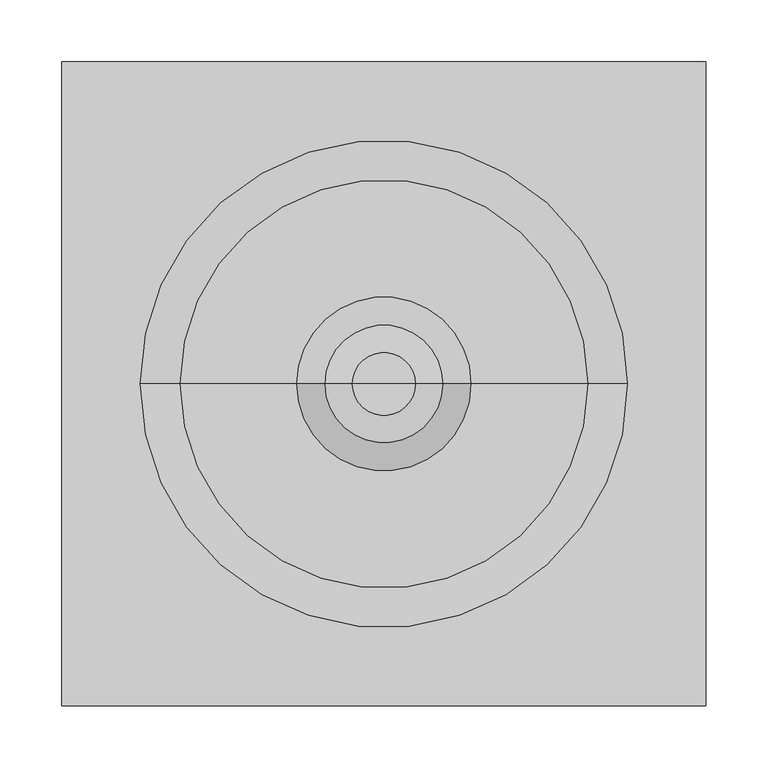
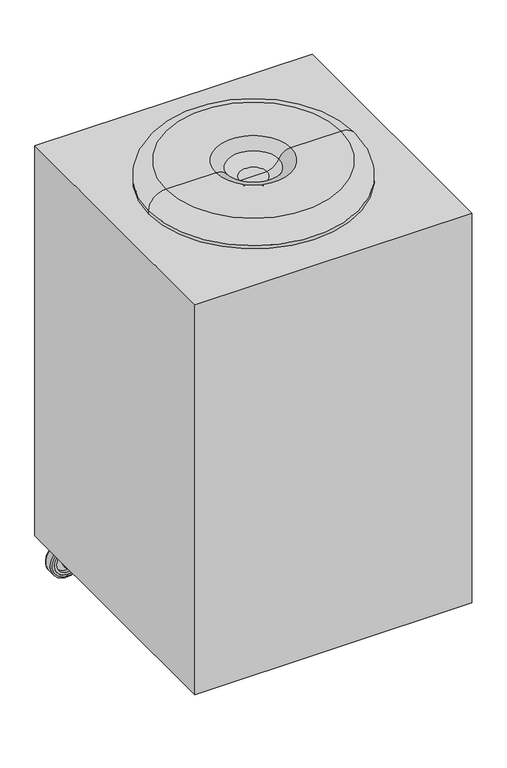
"""IFC4 building model written with IfcOpenShell, lengths in millimetres: proxy geometry."""

import ifcopenshell
import ifcopenshell.guid

model = None  # the IFC model being written
_history = None  # IfcOwnerHistory: only IFC2X3 demands one
_inside = {}  # id of a spatial element -> (the spatial element, [elements in it])
_under = {}  # id of a project, library or spatial element -> (it, [spatial elements below it])
_declared = {}  # id of a project -> (the project, [libraries it declares])
_typed = {}  # id of a type object -> (the type object, [elements of that type])
_made_of = {}  # id of a material, layer set ... -> (it, [elements and type objects made of it])


def new_model(schema):
    """Start an empty IFC model of exactly this schema.

    Asked for "IFC4X3", IfcOpenShell would pick the latest addendum, in which some entities
    have other attributes; the version numbers below select the first issue.
    IFC2X3 requires an IfcOwnerHistory on every rooted entity: one is made here for all.
    """
    global model, _history
    if schema == "IFC4X3":
        model = ifcopenshell.file(schema_version=(4, 3, 0, 0))
    else:
        model = ifcopenshell.file(schema=schema)
    _inside.clear()
    _under.clear()
    _declared.clear()
    _typed.clear()
    _made_of.clear()
    _history = None
    if model.schema == "IFC2X3":
        org = make("IfcOrganization", Name="unknown")
        user = make(
            "IfcPersonAndOrganization",
            ThePerson=make("IfcPerson", FamilyName="unknown"),
            TheOrganization=org,
        )
        app = make(
            "IfcApplication",
            ApplicationDeveloper=org,
            Version="unknown",
            ApplicationFullName="unknown",
            ApplicationIdentifier="unknown",
        )
        _history = make(
            "IfcOwnerHistory",
            OwningUser=user,
            OwningApplication=app,
            ChangeAction="ADDED",
            CreationDate=0,
        )
    return model


def make(cls, **values):
    """One entity of the class cls with the attributes given. An attribute that is None is left unset."""
    return model.create_entity(
        cls, **{name: value for name, value in values.items() if value is not None}
    )


def rooted(cls, **values):
    """An entity with a GlobalId (a new one), such as an element, a storey or a relation."""
    return make(cls, GlobalId=ifcopenshell.guid.new(), OwnerHistory=_history, **values)


def si_unit(unit_type, name, prefix=None):
    """IfcSIUnit, for example si_unit("LENGTHUNIT", "METRE", prefix="MILLI")."""
    return make("IfcSIUnit", UnitType=unit_type, Prefix=prefix, Name=name)


def assignment(units):
    """IfcUnitAssignment: the units of a project."""
    return None if units is None else make("IfcUnitAssignment", Units=units)


def point(xyz):
    """IfcCartesianPoint."""
    return None if xyz is None else make("IfcCartesianPoint", Coordinates=xyz)


def direction(xyz):
    """IfcDirection."""
    return None if xyz is None else make("IfcDirection", DirectionRatios=xyz)


def frame(location, z_axis=None, x_axis=None):
    """IfcAxis2Placement3D, a coordinate frame: its origin and axes. An axis left out is left unset."""
    return make(
        "IfcAxis2Placement3D",
        Location=point(location),
        Axis=direction(z_axis),
        RefDirection=direction(x_axis),
    )


def frame_2d(location, x_axis=None):
    """IfcAxis2Placement2D, a coordinate frame in the plane: its origin and x axis."""
    return make(
        "IfcAxis2Placement2D", Location=point(location), RefDirection=direction(x_axis)
    )


def origin():
    """The frame at (0, 0, 0) with its axes left unset."""
    return frame((0.0, 0.0, 0.0))


def place(relative_to, where):
    """IfcLocalPlacement: puts the frame where relative to a parent placement (None: the world)."""
    return make(
        "IfcLocalPlacement", PlacementRelTo=relative_to, RelativePlacement=where
    )


def context(
    kind, dimensions, precision=None, world=None, true_north=None, identifier=None
):
    """IfcGeometricRepresentationContext, for example the 3D "Model" context."""
    return make(
        "IfcGeometricRepresentationContext",
        ContextIdentifier=identifier,
        ContextType=kind,
        CoordinateSpaceDimension=dimensions,
        Precision=precision,
        WorldCoordinateSystem=world,
        TrueNorth=true_north,
    )


def project(units=None, contexts=None):
    """IfcProject with its units and contexts."""
    return rooted(
        "IfcProject",
        Name="project",
        RepresentationContexts=contexts,
        UnitsInContext=assignment(units),
    )


def spatial(cls, under=None, at=None, **own):
    """A site, building, storey or space (cls), placed at a placement, below another one or the project."""
    s = rooted(cls, ObjectPlacement=at, **own)
    if under is not None:
        _under.setdefault(under.id(), (under, []))[1].append(s)
    return s


def polyline(points):
    """IfcPolyline through the points."""
    return make("IfcPolyline", Points=[point(p) for p in points])


def circle_curve(where, radius):
    """IfcCircle in the frame where."""
    return make("IfcCircle", Position=where, Radius=radius)


def ellipse_curve(where, semi_axis1, semi_axis2):
    """IfcEllipse in the frame where."""
    return make(
        "IfcEllipse", Position=where, SemiAxis1=semi_axis1, SemiAxis2=semi_axis2
    )


def trimmed(basis, trim1, trim2, sense, master):
    """IfcTrimmedCurve: the piece of a basis curve between two trims."""
    return make(
        "IfcTrimmedCurve",
        BasisCurve=basis,
        Trim1=trim1,
        Trim2=trim2,
        SenseAgreement=sense,
        MasterRepresentation=master,
    )


def segment(curve, same_sense, transition):
    """IfcCompositeCurveSegment."""
    return make(
        "IfcCompositeCurveSegment",
        Transition=transition,
        SameSense=same_sense,
        ParentCurve=curve,
    )


def composite_curve(segments, self_intersect=None):
    """IfcCompositeCurve: segments joined end to end."""
    return make("IfcCompositeCurve", Segments=segments, SelfIntersect=self_intersect)


def outline(outer, holes=None, kind="AREA"):
    """IfcArbitraryClosedProfileDef: a profile drawn as a closed curve; with holes, ...WithVoids."""
    if holes is None:
        return make("IfcArbitraryClosedProfileDef", ProfileType=kind, OuterCurve=outer)
    return make(
        "IfcArbitraryProfileDefWithVoids",
        ProfileType=kind,
        OuterCurve=outer,
        InnerCurves=holes,
    )


def extrude(swept, where, along, depth):
    """IfcExtrudedAreaSolid: the profile swept, set in the frame where, extruded along a direction by depth."""
    return make(
        "IfcExtrudedAreaSolid",
        SweptArea=swept,
        Position=where,
        ExtrudedDirection=direction(along),
        Depth=depth,
    )


def shape(context_of_items, identifier, shape_type, items):
    """IfcShapeRepresentation: the items that make up one representation, for example the "Body"."""
    return make(
        "IfcShapeRepresentation",
        ContextOfItems=context_of_items,
        RepresentationIdentifier=identifier,
        RepresentationType=shape_type,
        Items=items,
    )


def source(mapping_origin, context_of_items, identifier, shape_type, items):
    """IfcRepresentationMap: a shape defined once, which mapped items show again and again."""
    return make(
        "IfcRepresentationMap",
        MappingOrigin=mapping_origin,
        MappedRepresentation=shape(context_of_items, identifier, shape_type, items),
    )


def transform(
    local_origin,
    x_axis=None,
    y_axis=None,
    z_axis=None,
    scale=None,
    scale2=None,
    scale3=None,
    uniform=True,
):
    """IfcCartesianTransformationOperator3D, or its non-uniform kind. x_axis, y_axis, z_axis: its Axis1, 2, 3."""
    if uniform:
        return make(
            "IfcCartesianTransformationOperator3D",
            Axis1=direction(x_axis),
            Axis2=direction(y_axis),
            LocalOrigin=point(local_origin),
            Scale=scale,
            Axis3=direction(z_axis),
        )
    return make(
        "IfcCartesianTransformationOperator3DnonUniform",
        Axis1=direction(x_axis),
        Axis2=direction(y_axis),
        LocalOrigin=point(local_origin),
        Scale=scale,
        Axis3=direction(z_axis),
        Scale2=scale2,
        Scale3=scale3,
    )


def mapped(mapping_source, mapping_target):
    """IfcMappedItem: shows the shape of a source again, moved by a transform."""
    return make(
        "IfcMappedItem", MappingSource=mapping_source, MappingTarget=mapping_target
    )


def made_of(thing, what):
    """Note that an element or type object is made of a material, layer set ...; save() writes the relation."""
    if what is not None:
        _made_of.setdefault(what.id(), (what, []))[1].append(thing)
    return thing


def element(
    cls,
    number,
    at=None,
    inside=None,
    cuts=None,
    type_object=None,
    material=None,
    context=None,
    identifier="Body",
    shape_type=None,
    held_by="IfcProductDefinitionShape",
    body=None,
    shapes=None,
    **own,
):
    """One element of the class cls, such as IfcWall. Its Tag is "e" and its number.

    at: its placement. inside: the storey or other place that contains it. cuts: it is an
    opening in that element (IfcRelVoidsElement). A single representation is given by context,
    identifier, shape_type and body (its items); several are given by shapes. held_by: the class
    of the entity that holds the representations. save() writes the other relations.
    """
    e = rooted(cls, Tag="e%d" % number, ObjectPlacement=at, **own)
    if body is not None:
        shapes = [shape(context, identifier, shape_type, body)]
    if shapes is not None:
        e.Representation = make(held_by, Representations=shapes)
    if inside is not None:
        _inside.setdefault(inside.id(), (inside, []))[1].append(e)
    if cuts is not None:
        rooted(
            "IfcRelVoidsElement", RelatingBuildingElement=cuts, RelatedOpeningElement=e
        )
    if type_object is not None:
        _typed.setdefault(type_object.id(), (type_object, []))[1].append(e)
    return made_of(e, material)


def aggregate(whole, parts):
    """IfcRelAggregates: a whole, such as a stair, and the parts it consists of."""
    return rooted("IfcRelAggregates", RelatingObject=whole, RelatedObjects=parts)


def save(model, path):
    """Write the relations noted so far, then the file.

    IfcRelAggregates (storeys below a building ...), IfcRelContainedInSpatialStructure (elements
    in a storey), IfcRelDefinesByType, IfcRelAssociatesMaterial and IfcRelDeclares: one each for
    every whole, place, type object, material and project.
    """
    for whole, parts in _under.values():
        aggregate(whole, parts)
    for where, things in _inside.values():
        rooted(
            "IfcRelContainedInSpatialStructure",
            RelatedElements=things,
            RelatingStructure=where,
        )
    for kind, things in _typed.values():
        rooted("IfcRelDefinesByType", RelatedObjects=things, RelatingType=kind)
    for what, things in _made_of.values():
        rooted("IfcRelAssociatesMaterial", RelatedObjects=things, RelatingMaterial=what)
    for by, libraries in _declared.values():
        rooted("IfcRelDeclares", RelatingContext=by, RelatedDefinitions=libraries)
    model.write(path)


def plane_surface(at):
    """IfcPlane: the flat surface through the origin of the frame at, square to its z axis."""
    return make("IfcPlane", Position=at)


def cylinder_surface(at, radius):
    """IfcCylindricalSurface: all points at the distance radius from the z axis of the frame at."""
    return make("IfcCylindricalSurface", Position=at, Radius=radius)


def revolved_surface(curve, axis_point, axis_direction):
    """IfcSurfaceOfRevolution: the curve turned about the line through axis_point along axis_direction."""
    return make(
        "IfcSurfaceOfRevolution",
        SweptCurve=make("IfcArbitraryOpenProfileDef", ProfileType="CURVE", Curve=curve),
        AxisPosition=make("IfcAxis1Placement", Location=point(axis_point), Axis=direction(axis_direction)),
    )


def advanced_brep(points, edges, surfaces, faces):
    """IfcAdvancedBrep: a solid bounded by faces that lie on surfaces and meet in shared edges.

    An edge is (start, end): straight between two places in points (the first is 0);
    or (start, end, curve); or (start, end, curve, False) where it runs against its curve.
    A face is (place in surfaces, loops), or (place, loops, False) where it looks against
    its surface's normal. A loop lists edges by number (the first is 1), with a minus sign
    where the edge is run from its end to its start. The first loop is the outer one.
    """
    corners = [point(p) for p in points]
    vertices = [make("IfcVertexPoint", VertexGeometry=c) for c in corners]
    made = []
    for start, end, *more in edges:
        made.append(
            make(
                "IfcEdgeCurve",
                EdgeStart=vertices[start],
                EdgeEnd=vertices[end],
                EdgeGeometry=more[0] if more else make("IfcPolyline", Points=[corners[start], corners[end]]),
                SameSense=more[1] if len(more) > 1 else True,
            )
        )
    hull = []
    for where, loops, *sense in faces:
        bounds = []
        for j, loop in enumerate(loops):
            ring = [make("IfcOrientedEdge", EdgeElement=made[abs(k) - 1], Orientation=k > 0) for k in loop]
            bounds.append(
                make(
                    "IfcFaceOuterBound" if j == 0 else "IfcFaceBound",
                    Bound=make("IfcEdgeLoop", EdgeList=ring),
                    Orientation=True,
                )
            )
        hull.append(make("IfcAdvancedFace", Bounds=bounds, FaceSurface=surfaces[where], SameSense=sense[0] if sense else True))
    return make("IfcAdvancedBrep", Outer=make("IfcClosedShell", CfsFaces=hull))


def specialty_equipment_0d968a55(model_context):
    return source(origin(), model_context, "Body", "SolidModel", [
        advanced_brep(
        [(301.625, 241.3, 0.0), (301.625, 241.3, 63.5), (301.625, 228.6, 63.5), (301.625, 228.6, 0.0), (301.625, 244.475, 3.175), (301.625, 244.475, 60.325), (301.625, 244.475, 6.35), (301.625, 244.475, 57.15), (301.625, 225.425, 6.35), (301.625, 225.425, 57.15), (301.625, 225.425, 3.175), (301.625, 225.425, 60.325)],
        [
            (0, 1, circle_curve(frame((301.625, 241.3, 31.75), z_axis=(0.0, -1.0, 0.0), x_axis=(0.0, 0.0, 1.0)), 31.75)),
            (1, 2),
            (2, 3, circle_curve(frame((301.625, 228.6, 31.75), z_axis=(0.0, 1.0, 0.0), x_axis=(0.0, 0.0, 1.0)), 31.75)),
            (3, 0),
            (1, 0, circle_curve(frame((301.625, 241.3, 31.75), z_axis=(0.0, -1.0, 0.0), x_axis=(0.0, 0.0, 1.0)), 31.75)),
            (3, 2, circle_curve(frame((301.625, 228.6, 31.75), z_axis=(0.0, 1.0, 0.0), x_axis=(0.0, 0.0, 1.0)), 31.75)),
            (4, 5, circle_curve(frame((301.625, 244.475, 31.75), z_axis=(0.0, -1.0, 0.0), x_axis=(0.0, 0.0, 1.0)), 28.575)),
            (5, 1, circle_curve(frame((301.625, 241.3, 60.325), z_axis=(1.0000000000000002, 0.0, 0.0), x_axis=(0.0, -1.0000000000000002, 0.0)), 3.175)),
            (0, 4, circle_curve(frame((301.625, 241.3, 3.175), z_axis=(1.0000000000000002, 0.0, 0.0), x_axis=(0.0, -1.0000000000000002, 0.0)), 3.175)),
            (5, 4, circle_curve(frame((301.625, 244.475, 31.75), z_axis=(0.0, -1.0, 0.0), x_axis=(0.0, 0.0, 1.0)), 28.575)),
            (6, 7, circle_curve(frame((301.625, 244.475, 31.75), z_axis=(0.0, -1.0, 0.0), x_axis=(0.0, 0.0, 1.0)), 25.4)),
            (7, 5),
            (4, 6),
            (7, 6, circle_curve(frame((301.625, 244.475, 31.75), z_axis=(0.0, -1.0, 0.0), x_axis=(0.0, 0.0, 1.0)), 25.4)),
            (8, 9, circle_curve(frame((301.625, 225.425, 31.75), z_axis=(0.0, -1.0, 0.0), x_axis=(0.0, 0.0, 1.0)), 25.4)),
            (9, 7),
            (6, 8),
            (9, 8, circle_curve(frame((301.625, 225.425, 31.75), z_axis=(0.0, -1.0, 0.0), x_axis=(0.0, 0.0, 1.0)), 25.4)),
            (10, 11, circle_curve(frame((301.625, 225.425, 31.75), z_axis=(0.0, -1.0, 0.0), x_axis=(0.0, 0.0, 1.0)), 28.575)),
            (11, 9),
            (8, 10),
            (11, 10, circle_curve(frame((301.625, 225.425, 31.75), z_axis=(0.0, -1.0, 0.0), x_axis=(0.0, 0.0, 1.0)), 28.575)),
            (2, 11, circle_curve(frame((301.625, 228.6, 60.325), z_axis=(1.0000000000000002, 0.0, 0.0), x_axis=(0.0, -1.0000000000000002, 0.0)), 3.175)),
            (10, 3, circle_curve(frame((301.625, 228.6, 3.175), z_axis=(1.0000000000000002, 0.0, 0.0), x_axis=(0.0, -1.0000000000000002, 0.0)), 3.175)),
        ],
        [
            cylinder_surface(frame((301.625, 257.175, 31.75), z_axis=(0.0, 1.0000000000000002, 0.0), x_axis=(0.0, 0.0, 1.0)), 31.75),
            revolved_surface(trimmed(ellipse_curve(frame((301.625, 241.3, 60.325), z_axis=(-1.0000000000000002, 0.0, 0.0), x_axis=(0.0, -1.0000000000000002, 0.0)), 3.175, 3.175), [point((301.625, 241.3, 63.5))], [point((301.625, 244.475, 60.325))], True, "CARTESIAN"), (301.625, 257.175, 31.75), (0.0, 1.0000000000000002, 0.0)),
            plane_surface(frame((301.625, 244.475, 31.75), z_axis=(0.0, 1.0, 0.0), x_axis=(0.0, 0.0, 1.0))),
            revolved_surface(polyline([(301.625, 244.475, 57.15), (301.625, 225.425, 57.15)]), (301.625, 257.175, 31.75), (0.0, 1.0000000000000002, 0.0)),
            plane_surface(frame((301.625, 225.425, 31.75), z_axis=(0.0, -1.0, 0.0), x_axis=(0.0, 0.0, 1.0))),
            revolved_surface(trimmed(ellipse_curve(frame((301.625, 228.6, 60.325), z_axis=(-1.0000000000000002, 0.0, 0.0), x_axis=(0.0, -1.0000000000000002, 0.0)), 3.175, 3.175), [point((301.625, 225.425, 60.325))], [point((301.625, 228.6, 63.5))], True, "CARTESIAN"), (301.625, 257.175, 31.75), (0.0, 1.0000000000000002, 0.0)),
        ],
        [
            (0, [[1, 2, 3, 4]]),
            (0, [[5, -4, 6, -2]]),
            (1, [[7, 8, -1, 9]]),
            (1, [[10, -9, -5, -8]]),
            (2, [[11, 12, -7, 13]]),
            (2, [[14, -13, -10, -12]]),
            (3, [[15, 16, -11, 17]]),
            (3, [[18, -17, -14, -16]]),
            (4, [[19, 20, -15, 21]]),
            (4, [[22, -21, -18, -20]]),
            (5, [[-3, 23, -19, 24]]),
            (5, [[-6, -24, -22, -23]]),
        ],
    ),
        advanced_brep(
        [(327.025, 244.475, 31.75), (276.225, 244.475, 31.75), (321.945, 244.475, 31.75), (281.305, 244.475, 31.75), (307.975, 244.475, 31.75), (295.275, 244.475, 31.75), (327.025, 238.125, 31.75), (276.225, 238.125, 31.75), (307.975, 238.125, 31.75), (295.275, 238.125, 31.75), (321.945, 238.125, 31.75), (281.305, 238.125, 31.75), (281.305, 231.775, 31.75), (321.945, 231.775, 31.75), (295.275, 231.775, 31.75), (307.975, 231.775, 31.75), (327.025, 231.775, 31.75), (276.225, 231.775, 31.75), (327.025, 225.425, 31.75), (276.225, 225.425, 31.75), (321.945, 225.425, 31.75), (281.305, 225.425, 31.75), (307.975, 225.425, 31.75), (295.275, 225.425, 31.75)],
        [
            (0, 1, circle_curve(frame((301.625, 244.475, 31.75), z_axis=(0.0, 1.0, 0.0), x_axis=(-1.0000000000000002, 0.0, 0.0)), 25.4)),
            (1, 0, circle_curve(frame((301.625, 244.475, 31.75), z_axis=(0.0, 1.0, 0.0), x_axis=(-1.0000000000000002, 0.0, 0.0)), 25.4)),
            (2, 3, circle_curve(frame((301.625, 244.475, 31.75), z_axis=(0.0, -1.0, 0.0), x_axis=(-1.0000000000000002, 0.0, 0.0)), 20.32)),
            (3, 2, circle_curve(frame((301.625, 244.475, 31.75), z_axis=(0.0, -1.0, 0.0), x_axis=(-1.0000000000000002, 0.0, 0.0)), 20.32)),
            (4, 5, circle_curve(frame((301.625, 244.475, 31.75), z_axis=(0.0, 1.0, 0.0), x_axis=(-1.0000000000000002, 0.0, 0.0)), 6.35)),
            (5, 4, circle_curve(frame((301.625, 244.475, 31.75), z_axis=(0.0, 1.0, 0.0), x_axis=(-1.0000000000000002, 0.0, 0.0)), 6.35)),
            (0, 6),
            (6, 7, circle_curve(frame((301.625, 238.125, 31.75), z_axis=(0.0, 1.0, 0.0), x_axis=(-1.0000000000000002, 0.0, 0.0)), 25.4)),
            (7, 1),
            (7, 6, circle_curve(frame((301.625, 238.125, 31.75), z_axis=(0.0, 1.0, 0.0), x_axis=(-1.0000000000000002, 0.0, 0.0)), 25.4)),
            (4, 8),
            (8, 9, circle_curve(frame((301.625, 238.125, 31.75), z_axis=(0.0, 1.0, 0.0), x_axis=(-1.0000000000000002, 0.0, 0.0)), 6.35)),
            (9, 5),
            (9, 8, circle_curve(frame((301.625, 238.125, 31.75), z_axis=(0.0, 1.0, 0.0), x_axis=(-1.0000000000000002, 0.0, 0.0)), 6.35)),
            (2, 10),
            (10, 11, circle_curve(frame((301.625, 238.125, 31.75), z_axis=(0.0, -1.0, 0.0), x_axis=(-1.0000000000000002, 0.0, 0.0)), 20.32)),
            (11, 3),
            (11, 10, circle_curve(frame((301.625, 238.125, 31.75), z_axis=(0.0, -1.0, 0.0), x_axis=(-1.0000000000000002, 0.0, 0.0)), 20.32)),
            (12, 13, circle_curve(frame((301.625, 231.775, 31.75), z_axis=(0.0, -1.0, 0.0), x_axis=(-1.0000000000000002, 0.0, 0.0)), 20.32)),
            (13, 12, circle_curve(frame((301.625, 231.775, 31.75), z_axis=(0.0, -1.0, 0.0), x_axis=(-1.0000000000000002, 0.0, 0.0)), 20.32)),
            (14, 15, circle_curve(frame((301.625, 231.775, 31.75), z_axis=(0.0, 1.0, 0.0), x_axis=(-1.0000000000000002, 0.0, 0.0)), 6.35)),
            (15, 14, circle_curve(frame((301.625, 231.775, 31.75), z_axis=(0.0, 1.0, 0.0), x_axis=(-1.0000000000000002, 0.0, 0.0)), 6.35)),
            (6, 16),
            (16, 17, circle_curve(frame((301.625, 231.775, 31.75), z_axis=(0.0, 1.0, 0.0), x_axis=(-1.0000000000000002, 0.0, 0.0)), 25.4)),
            (17, 7),
            (17, 16, circle_curve(frame((301.625, 231.775, 31.75), z_axis=(0.0, 1.0, 0.0), x_axis=(-1.0000000000000002, 0.0, 0.0)), 25.4)),
            (18, 19, circle_curve(frame((301.625, 225.425, 31.75), z_axis=(0.0, -1.0, 0.0), x_axis=(-1.0000000000000002, 0.0, 0.0)), 25.4)),
            (19, 18, circle_curve(frame((301.625, 225.425, 31.75), z_axis=(0.0, -1.0, 0.0), x_axis=(-1.0000000000000002, 0.0, 0.0)), 25.4)),
            (20, 21, circle_curve(frame((301.625, 225.425, 31.75), z_axis=(0.0, 1.0, 0.0), x_axis=(-1.0000000000000002, 0.0, 0.0)), 20.32)),
            (21, 20, circle_curve(frame((301.625, 225.425, 31.75), z_axis=(0.0, 1.0, 0.0), x_axis=(-1.0000000000000002, 0.0, 0.0)), 20.32)),
            (22, 23, circle_curve(frame((301.625, 225.425, 31.75), z_axis=(0.0, -1.0, 0.0), x_axis=(-1.0000000000000002, 0.0, 0.0)), 6.35)),
            (23, 22, circle_curve(frame((301.625, 225.425, 31.75), z_axis=(0.0, -1.0, 0.0), x_axis=(-1.0000000000000002, 0.0, 0.0)), 6.35)),
            (18, 16),
            (17, 19),
            (22, 15),
            (14, 23),
            (20, 13),
            (12, 21),
        ],
        [
            plane_surface(frame((276.225, 244.475, 31.75), z_axis=(0.0, 1.0, 0.0), x_axis=(0.0, 0.0, 1.0))),
            cylinder_surface(frame((301.625, 238.125, 31.75), z_axis=(0.0, 1.0000000000000002, 0.0), x_axis=(-1.0000000000000002, 0.0, 0.0)), 25.4),
            cylinder_surface(frame((301.625, 234.95, 31.75), z_axis=(0.0, 1.0000000000000002, 0.0), x_axis=(-1.0000000000000002, 0.0, 0.0)), 6.35),
            revolved_surface(polyline([(281.305, 238.125, 31.75), (281.305, 244.475, 31.75)]), (301.625, 234.95, 31.75), (0.0, -1.0000000000000002, 0.0)),
            plane_surface(frame((276.225, 238.125, 31.75), z_axis=(0.0, 1.0, 0.0), x_axis=(0.0, 0.0, 1.0))),
            plane_surface(frame((276.225, 231.775, 31.75), z_axis=(0.0, -1.0, 0.0), x_axis=(0.0, 0.0, -1.0))),
            cylinder_surface(frame((301.625, 231.775, 31.75), z_axis=(0.0, 1.0000000000000002, 0.0), x_axis=(-1.0000000000000002, 0.0, 0.0)), 25.4),
            plane_surface(frame((276.225, 225.425, 31.75), z_axis=(0.0, -1.0, 0.0), x_axis=(0.0, 0.0, -1.0))),
            cylinder_surface(frame((301.625, 231.775, 31.75), z_axis=(0.0, -1.0000000000000002, 0.0), x_axis=(-1.0000000000000002, 0.0, 0.0)), 25.4),
            cylinder_surface(frame((301.625, 234.95, 31.75), z_axis=(0.0, -1.0000000000000002, 0.0), x_axis=(-1.0000000000000002, 0.0, 0.0)), 6.35),
            revolved_surface(polyline([(281.305, 231.775, 31.75), (281.305, 225.425, 31.75)]), (301.625, 234.95, 31.75), (0.0, 1.0000000000000002, 0.0)),
        ],
        [
            (0, [[1, 2], [3, 4]]),
            (0, [[5, 6]]),
            (1, [[-1, 7, 8, 9]]),
            (1, [[-2, -9, 10, -7]]),
            (2, [[-5, 11, 12, 13]]),
            (2, [[-6, -13, 14, -11]]),
            (3, [[-3, 15, 16, 17]]),
            (3, [[-4, -17, 18, -15]]),
            (4, [[-16, -18], [-12, -14]]),
            (5, [[19, 20], [21, 22]]),
            (6, [[23, 24, 25, -8]]),
            (6, [[-23, -10, -25, 26]]),
            (7, [[27, 28], [29, 30]]),
            (7, [[31, 32]]),
            (8, [[-27, 33, -26, 34]]),
            (8, [[-28, -34, -24, -33]]),
            (9, [[-31, 35, -21, 36]]),
            (9, [[-32, -36, -22, -35]]),
            (10, [[-29, 37, -19, 38]]),
            (10, [[-30, -38, -20, -37]]),
        ],
    ),
        advanced_brep(
        [(307.975, 247.65, 31.75), (307.975, 222.25, 31.75), (295.275, 222.25, 31.75), (295.275, 247.65, 31.75), (310.928744, 250.825, 33.7910714), (293.0275599, 250.825, 27.6500428), (269.875, 250.825, 69.85), (269.875, 250.825, 73.025), (301.625, 250.825, 73.025), (301.625, 250.825, 69.85), (310.928744, 247.65, 33.7910714), (301.625, 247.65, 69.85), (269.875, 247.65, 69.85), (293.0275599, 247.65, 27.6500428), (269.875, 219.075, 73.025), (301.625, 219.075, 73.025), (301.625, 222.25, 69.85), (269.875, 222.25, 69.85), (269.875, 219.075, 69.85), (293.0275599, 219.075, 27.6500428), (310.928744, 219.075, 33.7910714), (301.625, 219.075, 69.85), (310.928744, 222.25, 33.7910714), (293.0275599, 222.25, 27.6500428)],
        [
            (0, 1),
            (1, 2, circle_curve(frame((301.625, 222.25, 31.75), z_axis=(0.0, 1.0, 0.0), x_axis=(-1.0000000000000002, 0.0, 0.0)), 6.35)),
            (2, 3),
            (3, 0, circle_curve(frame((301.625, 247.65, 31.75), z_axis=(0.0, -1.0, 0.0), x_axis=(-1.0000000000000002, 0.0, 0.0)), 6.35)),
            (0, 3, circle_curve(frame((301.625, 247.65, 31.75), z_axis=(0.0, -1.0, 0.0), x_axis=(-1.0000000000000002, 0.0, 0.0)), 6.35)),
            (2, 1, circle_curve(frame((301.625, 222.25, 31.75), z_axis=(0.0, 1.0, 0.0), x_axis=(-1.0000000000000002, 0.0, 0.0)), 6.35)),
            (4, 5, circle_curve(frame((301.625, 250.825, 31.75), z_axis=(0.0, 1.0, 0.0), x_axis=(-1.0000000000000002, 0.0, 0.0)), 9.525)),
            (5, 6),
            (6, 7),
            (7, 8),
            (8, 9),
            (9, 4),
            (10, 11),
            (11, 12),
            (12, 13),
            (13, 10, circle_curve(frame((301.625, 247.65, 31.75), z_axis=(0.0, -1.0, 0.0), x_axis=(-1.0000000000000002, 0.0, 0.0)), 9.525)),
            (4, 10),
            (13, 5),
            (12, 6),
            (9, 11),
            (14, 15),
            (15, 8),
            (7, 14),
            (11, 16),
            (16, 17),
            (17, 12),
            (14, 18),
            (18, 19),
            (19, 20, circle_curve(frame((301.625, 219.075, 31.75), z_axis=(0.0, -1.0, 0.0), x_axis=(-1.0000000000000002, 0.0, 0.0)), 9.525)),
            (20, 21),
            (21, 15),
            (21, 16),
            (17, 18),
            (22, 23, circle_curve(frame((301.625, 222.25, 31.75), z_axis=(0.0, 1.0, 0.0), x_axis=(-1.0000000000000002, 0.0, 0.0)), 9.525)),
            (23, 17),
            (16, 22),
            (20, 22),
            (23, 19),
        ],
        [
            cylinder_surface(frame((301.625, 222.25, 31.75), z_axis=(0.0, 1.0000000000000002, 0.0), x_axis=(-1.0000000000000002, 0.0, 0.0)), 6.35),
            plane_surface(frame((292.1, 250.825, 31.75), z_axis=(0.0, 1.0, 0.0), x_axis=(0.0, 0.0, 1.0))),
            plane_surface(frame((292.1, 247.65, 31.75), z_axis=(0.0, -1.0, 0.0), x_axis=(0.0, 0.0, -1.0))),
            cylinder_surface(frame((301.625, 247.65, 31.75), z_axis=(0.0, 1.0000000000000002, 0.0), x_axis=(-1.0000000000000002, 0.0, 0.0)), 9.525),
            plane_surface(frame((293.0275599, 250.825, 27.6500428), z_axis=(-0.8767191283457083, 0.0, -0.4810026715027077), x_axis=(0.0, -1.0, 0.0))),
            plane_surface(frame((301.625, 250.825, 69.85), z_axis=(0.9682889261954798, 0.0, 0.24983305507319234), x_axis=(0.0, -1.0, 0.0))),
            plane_surface(frame((301.625, 219.075, 73.025), z_axis=(0.0, 0.0, 1.0), x_axis=(1.0, 0.0, 0.0))),
            plane_surface(frame((301.625, 219.075, 69.85), z_axis=(0.0, 0.0, -1.0), x_axis=(-1.0, 0.0, 0.0))),
            plane_surface(frame((269.875, 219.075, 73.025), z_axis=(0.0, -1.0, 0.0), x_axis=(0.0, 0.0, -1.0))),
            plane_surface(frame((301.625, 219.075, 73.025), z_axis=(1.0, 0.0, 0.0), x_axis=(0.0, 0.0, -1.0))),
            plane_surface(frame((269.875, 250.825, 73.025), z_axis=(-1.0, 0.0, 0.0), x_axis=(0.0, 0.0, -1.0))),
            plane_surface(frame((300.0816243, 222.25, 75.8317288), z_axis=(0.0, 1.0, 0.0), x_axis=(0.24983305507319234, 0.0, -0.9682889261954798))),
            plane_surface(frame((310.928744, 219.075, 33.7910714), z_axis=(0.9682889261954798, 0.0, 0.24983305507319234), x_axis=(0.0, 1.0, 0.0))),
            plane_surface(frame((269.875, 219.075, 69.85), z_axis=(-0.8767191283457083, 0.0, -0.4810026715027077), x_axis=(0.0, 1.0, 0.0))),
            cylinder_surface(frame((301.625, 222.25, 31.75), z_axis=(0.0, -1.0000000000000002, 0.0), x_axis=(-1.0000000000000002, 0.0, 0.0)), 9.525),
        ],
        [
            (0, [[1, 2, 3, 4]]),
            (0, [[-1, 5, -3, 6]]),
            (1, [[7, 8, 9, 10, 11, 12]]),
            (2, [[13, 14, 15, 16], [-4, -5]]),
            (3, [[-7, 17, -16, 18]]),
            (4, [[-8, -18, -15, 19]]),
            (5, [[-12, 20, -13, -17]]),
            (6, [[21, 22, -10, 23]]),
            (7, [[-14, 24, 25, 26]]),
            (8, [[-21, 27, 28, 29, 30, 31]]),
            (9, [[-22, -31, 32, -24, -20, -11]]),
            (10, [[-23, -9, -19, -26, 33, -27]]),
            (11, [[34, 35, -25, 36], [-2, -6]]),
            (12, [[-30, 37, -36, -32]]),
            (13, [[-28, -33, -35, 38]]),
            (14, [[-29, -38, -34, -37]]),
        ],
    ),
        extrude(outline(composite_curve([segment(trimmed(circle_curve(frame_2d((285.75, 234.95)), 15.875), [point((301.625, 234.95))], [point((269.875, 234.95))], False, "CARTESIAN"), True, "CONTINUOUS"), segment(trimmed(circle_curve(frame_2d((285.75, 234.95)), 15.875), [point((269.875, 234.95))], [point((301.625, 234.95))], False, "CARTESIAN"), True, "CONTINUOUS")], self_intersect=False)), frame((0.0, 0.0, 73.025), z_axis=(0.0, 0.0, 1.0), x_axis=(1.0, 0.0, 0.0)), (0.0, 0.0, 1.0), 6.35),
        advanced_brep(
        [(323.85, 0.0, 857.25), (717.55, 0.0, 857.25), (685.8, 0.0, 889.0), (355.6, 0.0, 889.0), (323.85, 0.0, 850.9), (717.55, 0.0, 850.9), (520.7, 0.0, 850.9), (495.3, 0.0, 857.25), (546.1, 0.0, 857.25), (520.7, 0.0, 857.25), (473.1933835, 0.0, 874.7342466), (568.2066165, 0.0, 874.7342466), (450.3638291, 0.0, 889.0), (591.0361709, 0.0, 889.0)],
        [
            (0, 1, circle_curve(frame((520.7, 0.0, 857.25), z_axis=(0.0, 0.0, 1.0), x_axis=(1.0, 0.0, 0.0)), 196.85)),
            (1, 2, circle_curve(frame((685.8, 0.0, 857.25), z_axis=(0.0, -1.0, 0.0), x_axis=(1.0, 0.0, 0.0)), 31.75)),
            (2, 3, circle_curve(frame((520.7, 0.0, 889.0), z_axis=(0.0, 0.0, -1.0), x_axis=(1.0, 0.0, 0.0)), 165.1)),
            (3, 0, circle_curve(frame((355.6, 0.0, 857.25), z_axis=(0.0, -1.0, 0.0), x_axis=(-1.0, 0.0, 0.0)), 31.75)),
            (1, 0, circle_curve(frame((520.7, 0.0, 857.25), z_axis=(0.0, 0.0, 1.0), x_axis=(1.0, 0.0, 0.0)), 196.85)),
            (3, 2, circle_curve(frame((520.7, 0.0, 889.0), z_axis=(0.0, 0.0, -1.0), x_axis=(1.0, 0.0, 0.0)), 165.1)),
            (4, 5, circle_curve(frame((520.7, 0.0, 850.9), z_axis=(0.0, 0.0, 1.0), x_axis=(1.0, 0.0, 0.0)), 196.85)),
            (5, 1),
            (0, 4),
            (5, 4, circle_curve(frame((520.7, 0.0, 850.9), z_axis=(0.0, 0.0, 1.0), x_axis=(1.0, 0.0, 0.0)), 196.85)),
            (6, 5),
            (4, 6),
            (7, 8, circle_curve(frame((520.7, 0.0, 857.25), z_axis=(0.0, 0.0, 1.0), x_axis=(1.0, 0.0, 0.0)), 25.4)),
            (8, 9),
            (9, 7),
            (8, 7, circle_curve(frame((520.7, 0.0, 857.25), z_axis=(0.0, 0.0, 1.0), x_axis=(1.0, 0.0, 0.0)), 25.4)),
            (10, 11, circle_curve(frame((520.7, 0.0, 874.7342466), z_axis=(0.0, 0.0, 1.0), x_axis=(1.0, 0.0, 0.0)), 47.5066165)),
            (11, 8, circle_curve(frame((538.95625, 0.0, 889.0), z_axis=(0.0, 1.0, 0.0), x_axis=(1.0, 0.0, 0.0)), 32.54375)),
            (7, 10, circle_curve(frame((502.44375, 0.0, 889.0), z_axis=(0.0, 1.0, 0.0), x_axis=(-1.0, 0.0, 0.0)), 32.54375)),
            (11, 10, circle_curve(frame((520.7, 0.0, 874.7342466), z_axis=(0.0, 0.0, 1.0), x_axis=(1.0, 0.0, 0.0)), 47.5066165)),
            (12, 13, circle_curve(frame((520.7, 0.0, 889.0), z_axis=(0.0, 0.0, 1.0), x_axis=(1.0, 0.0, 0.0)), 70.3361709)),
            (13, 11, circle_curve(frame((591.0361709, 0.0, 863.6), z_axis=(0.0, -1.0, 0.0), x_axis=(1.0, 0.0, 0.0)), 25.4)),
            (10, 12, circle_curve(frame((450.3638291, 0.0, 863.6), z_axis=(0.0, -1.0, 0.0), x_axis=(-1.0, 0.0, 0.0)), 25.4)),
            (13, 12, circle_curve(frame((520.7, 0.0, 889.0), z_axis=(0.0, 0.0, 1.0), x_axis=(1.0, 0.0, 0.0)), 70.3361709)),
            (2, 13),
            (12, 3),
        ],
        [
            revolved_surface(trimmed(ellipse_curve(frame((685.8, 0.0, 857.25), z_axis=(0.0, 1.0, 0.0), x_axis=(1.0, 0.0, 0.0)), 31.75, 31.75), [point((685.8, 0.0, 889.0))], [point((717.55, 0.0, 857.25))], True, "CARTESIAN"), (520.7, 0.0, 920.75), (0.0, 0.0, -1.0)),
            cylinder_surface(frame((520.7, 0.0, 920.75), z_axis=(0.0, 0.0, -1.0), x_axis=(1.0, 0.0, 0.0)), 196.85),
            plane_surface(frame((520.7, 0.0, 850.9), z_axis=(0.0, 0.0, -1.0), x_axis=(1.0, 0.0, 0.0))),
            plane_surface(frame((520.7, 0.0, 857.25), z_axis=(0.0, 0.0, 1.0), x_axis=(1.0, 0.0, 0.0))),
            revolved_surface(trimmed(ellipse_curve(frame((538.95625, 0.0, 889.0), z_axis=(0.0, -1.0, 0.0), x_axis=(1.0, 0.0, 0.0)), 32.54375, 32.54375), [point((546.1, 0.0, 857.25))], [point((568.2066165, 0.0, 874.7342466))], True, "CARTESIAN"), (520.7, 0.0, 920.75), (0.0, 0.0, -1.0)),
            revolved_surface(trimmed(ellipse_curve(frame((591.0361709, 0.0, 863.6), z_axis=(0.0, 1.0, 0.0), x_axis=(1.0, 0.0, 0.0)), 25.4, 25.4), [point((568.2066165, 0.0, 874.7342466))], [point((591.0361709, 0.0, 889.0))], True, "CARTESIAN"), (520.7, 0.0, 920.75), (0.0, 0.0, -1.0)),
            plane_surface(frame((520.7, 0.0, 889.0), z_axis=(0.0, 0.0, 1.0), x_axis=(1.0, 0.0, 0.0))),
        ],
        [
            (0, [[1, 2, 3, 4]]),
            (0, [[5, -4, 6, -2]]),
            (1, [[7, 8, -1, 9]]),
            (1, [[10, -9, -5, -8]]),
            (2, [[11, -7, 12]]),
            (2, [[-12, -10, -11]]),
            (3, [[13, 14, 15]]),
            (3, [[16, -15, -14]]),
            (4, [[17, 18, -13, 19]]),
            (4, [[20, -19, -16, -18]]),
            (5, [[21, 22, -17, 23]]),
            (5, [[24, -23, -20, -22]]),
            (6, [[-3, 25, -21, 26]]),
            (6, [[-6, -26, -24, -25]]),
        ],
    ),
        extrude(outline(polyline([(260.35, 260.35), (781.05, 260.35), (781.05, -260.35), (260.35, -260.35), (260.35, 260.35)])), frame((0.0, 0.0, 76.2), z_axis=(0.0, 0.0, 1.0), x_axis=(1.0, 0.0, 0.0)), (0.0, 0.0, 1.0), 774.7),
    ])


if __name__ == "__main__":
    model = new_model("IFC4")
    model_context = context("Model", 3, world=origin())
    ifc_project = project(units=[si_unit("LENGTHUNIT", "METRE", prefix="MILLI")], contexts=[model_context])
    site = spatial("IfcSite", under=ifc_project)
    building = spatial("IfcBuilding", under=site)
    placement = place(None, origin())
    specialty_equipment_shape = specialty_equipment_0d968a55(model_context)
    element("IfcBuildingElementProxy", 1, Name="Specialty Equipment", at=placement, inside=building, context=model_context, shape_type="MappedRepresentation", body=[
        mapped(specialty_equipment_shape, transform((0.0, 0.0, 0.0), x_axis=(1.0, 0.0, 0.0), y_axis=(0.0, 1.0, 0.0), z_axis=(0.0, 0.0, 1.0))),
    ])
    save(model, "model.ifc")
